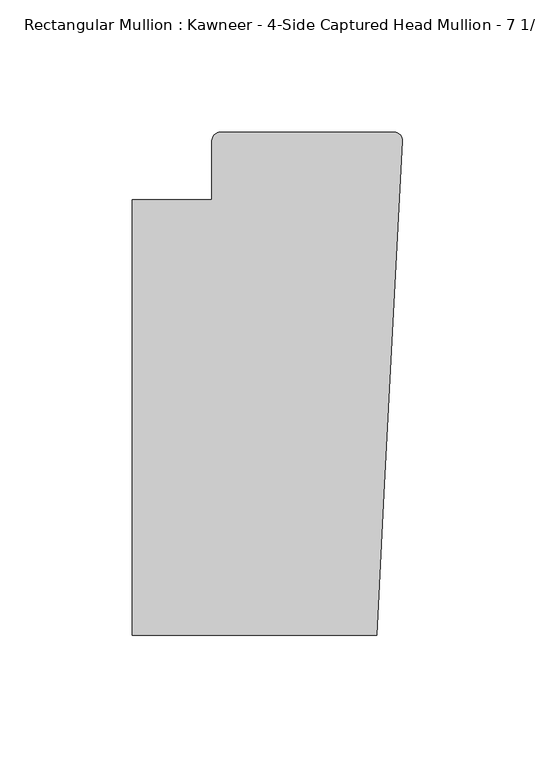
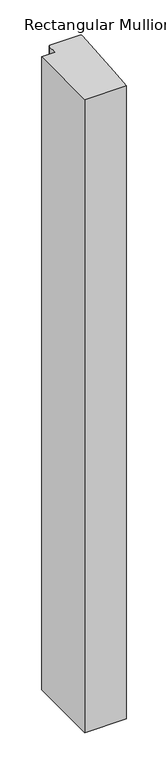
"""IFC4 building model written with IfcOpenShell, lengths in millimetres: member geometry."""

from ifc_helpers import new_model, si_unit, frame, origin, place, context, project, spatial, circle_curve, source, transform, mapped, element, save
from ifc_brep_helpers import plane_surface, cylinder_surface, advanced_brep


def member_ce48b4c7(model_context):
    return source(origin(), model_context, "Body", "AdvancedBrep", [
        advanced_brep(
        [(-9.7860662, -151.892, 0.0), (-6.9873394, -98.4891117, 0.0), (-0.0041105, 34.7588278, 0.0), (-3.175, 38.0999944, 0.0), (-68.798975, 38.0999944, 0.0), (-71.9739395, 34.9099677, 0.0), (-71.9739395, 12.7, 0.0), (-102.08978, 12.7, 0.0), (-102.08978, -151.892, 0.0), (-9.7860662, -151.892, -1478.4151679), (-102.08978, -151.892, -1478.4151679), (-102.08978, 12.7, -1478.4151679), (-71.9739395, 12.7, -1478.4151679), (-71.9739395, 34.9099677, -1478.4151679), (-68.798975, 38.0999944, -1478.4151679), (-3.175, 38.0999944, -1478.4151679), (-0.006635, 34.7198406, -1478.4151679), (-6.9873394, -98.4891117, -1478.4151679)],
        [
            (0, 1),
            (1, 2),
            (2, 3, circle_curve(frame((-3.175, 34.9249944, 0.0), z_axis=(0.0, 0.0, 1.0), x_axis=(0.0, 1.0, 0.0)), 3.175)),
            (3, 4),
            (4, 5, circle_curve(frame((-68.798975, 34.9249944, 0.0), z_axis=(0.0, 0.0, 1.0), x_axis=(-0.9999888001458095, -0.004732819766726053, 0.0)), 3.175)),
            (5, 6),
            (6, 7),
            (7, 8),
            (8, 0),
            (9, 10),
            (10, 11),
            (11, 12),
            (12, 13),
            (13, 14, circle_curve(frame((-68.798975, 34.9249944, -1478.4151679), z_axis=(0.0, 0.0, -1.0), x_axis=(-0.9999888001458095, -0.004732819766726053, 0.0)), 3.175)),
            (14, 15),
            (15, 16, circle_curve(frame((-3.175, 34.9249944, -1478.4151679), z_axis=(0.0, 0.0, -1.0), x_axis=(0.0, 1.0, 0.0)), 3.175)),
            (16, 17),
            (17, 9),
            (0, 9),
            (17, 1),
            (16, 2),
            (15, 3),
            (14, 4),
            (13, 5),
            (12, 6),
            (11, 7),
            (10, 8),
        ],
        [
            plane_surface(frame((0.0, -183.0123025, 0.0), z_axis=(0.0, 0.0, 1.0), x_axis=(-1.0, 0.0, 0.0))),
            plane_surface(frame((0.0, -183.0123025, -1478.4151679), z_axis=(0.0, 0.0, -1.0), x_axis=(-1.0, 0.0, 0.0))),
            plane_surface(frame((-9.7860662, -151.892, 0.0), z_axis=(0.9986295347545738, -0.052335956242944896, 0.0), x_axis=(0.0, 0.0, -1.0))),
            plane_surface(frame((-6.9873394, -98.4891117, 0.0), z_axis=(0.9986295346400468, -0.05233595842825238, 0.0), x_axis=(0.0, 0.0, -1.0))),
            cylinder_surface(frame((-3.175, 34.9249944, 0.0), z_axis=(0.0, 0.0, 1.0), x_axis=(0.0, 1.0, 0.0)), 3.175),
            plane_surface(frame((-3.175, 38.0999944, 0.0), z_axis=(0.0, 1.0, 0.0), x_axis=(0.0, 0.0, -1.0))),
            cylinder_surface(frame((-68.798975, 34.9249944, 0.0), z_axis=(0.0, 0.0, 1.0), x_axis=(-0.9999888001458095, -0.004732819766726053, 0.0)), 3.175),
            plane_surface(frame((-71.9739395, 34.9099677, 0.0), z_axis=(-1.0, 0.0, 0.0), x_axis=(0.0, 0.0, -1.0))),
            plane_surface(frame((-71.9739395, 12.7, 0.0), z_axis=(0.0, 1.0, 0.0), x_axis=(0.0, 0.0, -1.0))),
            plane_surface(frame((-102.08978, 12.7, 0.0), z_axis=(-1.0, 0.0, 0.0), x_axis=(0.0, 0.0, -1.0))),
            plane_surface(frame((-102.08978, -151.892, 0.0), z_axis=(0.0, -1.0, 0.0), x_axis=(0.0, 0.0, -1.0))),
        ],
        [
            (0, [[1, 2, 3, 4, 5, 6, 7, 8, 9]]),
            (1, [[10, 11, 12, 13, 14, 15, 16, 17, 18]]),
            (2, [[-1, 19, -18, 20]]),
            (3, [[-2, -20, -17, 21]]),
            (4, [[-3, -21, -16, 22]]),
            (5, [[-4, -22, -15, 23]]),
            (6, [[-5, -23, -14, 24]]),
            (7, [[-6, -24, -13, 25]]),
            (8, [[-7, -25, -12, 26]]),
            (9, [[-8, -26, -11, 27]]),
            (10, [[-9, -27, -10, -19]]),
        ],
    ),
    ])


if __name__ == "__main__":
    model = new_model("IFC4")
    model_context = context("Model", 3, world=origin())
    ifc_project = project(units=[si_unit("LENGTHUNIT", "METRE", prefix="MILLI")], contexts=[model_context])
    site = spatial("IfcSite", under=ifc_project)
    building = spatial("IfcBuilding", under=site)
    placement = place(None, origin())
    member_shape = member_ce48b4c7(model_context)
    element("IfcMember", 1, ObjectType="Rectangular Mullion : Kawneer - 4-Side Captured Head Mullion - 7 1/2\"", at=placement, inside=building, context=model_context, shape_type="MappedRepresentation", body=[
        mapped(member_shape, transform((0.0, 0.0, 0.0), x_axis=(1.0, 0.0, 0.0), y_axis=(0.0, 1.0, 0.0), z_axis=(0.0, 0.0, 1.0))),
    ])
    save(model, "model.ifc")
